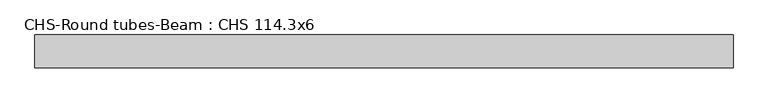
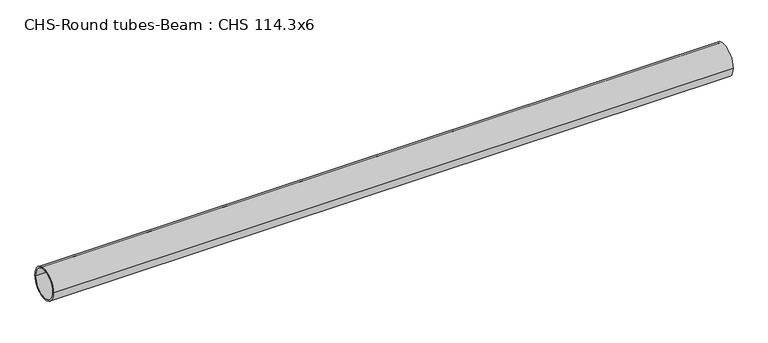
"""IFC4 building model written with IfcOpenShell, lengths in millimetres: beam geometry, CHS-Round tubes-Beam : CHS 114.3x6."""

from ifc_helpers import new_model, si_unit, point, frame, origin, origin_2d, place, context, project, spatial, circle_curve, trimmed, segment, composite_curve, outline, extrude, source, transform, mapped, element, save


def chs_round_tubes_beam_chs_114_3x6_f0aa29a0(model_context):
    return source(origin(), model_context, "Body", "SweptSolid", [
        extrude(outline(composite_curve([segment(trimmed(circle_curve(origin_2d(), 57.15), [point((57.15, 0.0))], [point((-57.15, 0.0))], False, "CARTESIAN"), True, "CONTINUOUS"), segment(trimmed(circle_curve(origin_2d(), 57.15), [point((-57.15, 0.0))], [point((57.15, 0.0))], False, "CARTESIAN"), True, "CONTINUOUS")], self_intersect=False), holes=[composite_curve([segment(trimmed(circle_curve(origin_2d(), 51.15), [point((51.15, 0.0))], [point((-51.15, 0.0))], True, "CARTESIAN"), True, "CONTINUOUS"), segment(trimmed(circle_curve(origin_2d(), 51.15), [point((-51.15, 0.0))], [point((51.15, 0.0))], True, "CARTESIAN"), True, "CONTINUOUS")], self_intersect=False)]), frame((-1177.0134169, 0.0, 0.0), z_axis=(1.0, 0.0, 0.0), x_axis=(0.0, 1.0, 0.0)), (0.0, 0.0, 1.0), 2436.3867316),
    ])


if __name__ == "__main__":
    model = new_model("IFC4")
    model_context = context("Model", 3, world=origin())
    ifc_project = project(units=[si_unit("LENGTHUNIT", "METRE", prefix="MILLI")], contexts=[model_context])
    site = spatial("IfcSite", under=ifc_project)
    building = spatial("IfcBuilding", under=site)
    placement = place(None, origin())
    chs_round_tubes_beam_chs_114_3x6_shape = chs_round_tubes_beam_chs_114_3x6_f0aa29a0(model_context)
    element("IfcBeam", 1, ObjectType="CHS-Round tubes-Beam : CHS 114.3x6", at=placement, inside=building, context=model_context, shape_type="MappedRepresentation", body=[
        mapped(chs_round_tubes_beam_chs_114_3x6_shape, transform((0.0, 0.0, 0.0), x_axis=(1.0, 0.0, 0.0), y_axis=(0.0, 1.0, 0.0), z_axis=(0.0, 0.0, 1.0))),
    ])
    save(model, "model.ifc")
